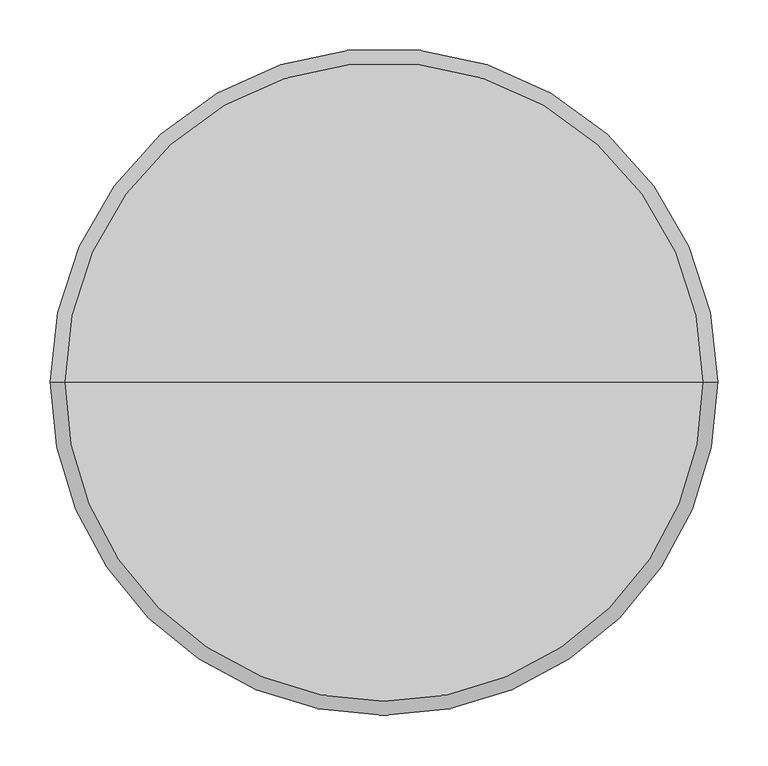
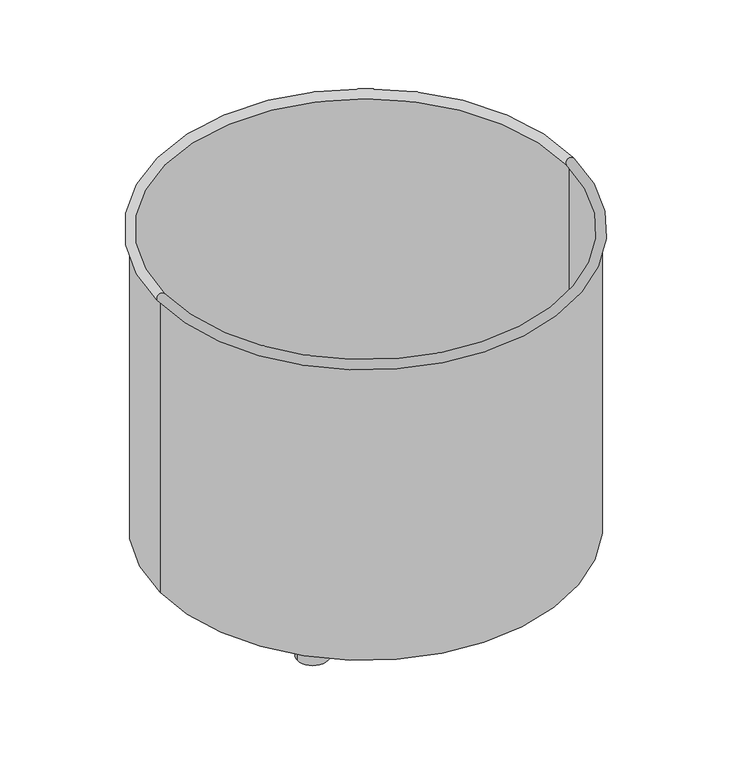
"""IFC4 building model written with IfcOpenShell, lengths in millimetres: furniture geometry."""

from ifc_helpers import new_model, si_unit, point, frame, frame_2d, origin, origin_with_axes, place, context, project, spatial, polyline, circle_curve, ellipse_curve, trimmed, segment, composite_curve, outline, extrude, source, transform, mapped, element, save
from ifc_brep_helpers import plane_surface, cylinder_surface, revolved_surface, advanced_brep


def furniture_d0817170(model_context):
    return source(origin(), model_context, "Body", "SolidModel", [
        extrude(outline(composite_curve([segment(trimmed(circle_curve(frame_2d((-197.7139973, 197.7101913)), 24.0), [point((-221.7139973, 197.7101913))], [point((-173.7139973, 197.7101913))], False, "CARTESIAN"), True, "CONTINUOUS"), segment(trimmed(circle_curve(frame_2d((-197.7139973, 197.7101913)), 24.0), [point((-173.7139973, 197.7101913))], [point((-221.7139973, 197.7101913))], False, "CARTESIAN"), True, "CONTINUOUS")], self_intersect=False)), origin_with_axes(), (0.0, 0.0, 1.0), 30.0000195),
        extrude(outline(composite_curve([segment(trimmed(circle_curve(frame_2d((-197.7139973, -197.7101913)), 24.0), [point((-221.7139973, -197.7101913))], [point((-173.7139973, -197.7101913))], False, "CARTESIAN"), True, "CONTINUOUS"), segment(trimmed(circle_curve(frame_2d((-197.7139973, -197.7101913)), 24.0), [point((-173.7139973, -197.7101913))], [point((-221.7139973, -197.7101913))], False, "CARTESIAN"), True, "CONTINUOUS")], self_intersect=False)), origin_with_axes(), (0.0, 0.0, 1.0), 30.0000195),
        extrude(outline(composite_curve([segment(trimmed(circle_curve(frame_2d((197.7139973, 197.7101913)), 24.0), [point((221.7139973, 197.7101913))], [point((173.7139973, 197.7101913))], False, "CARTESIAN"), True, "CONTINUOUS"), segment(trimmed(circle_curve(frame_2d((197.7139973, 197.7101913)), 24.0), [point((173.7139973, 197.7101913))], [point((221.7139973, 197.7101913))], False, "CARTESIAN"), True, "CONTINUOUS")], self_intersect=False)), origin_with_axes(), (0.0, 0.0, 1.0), 30.0000195),
        extrude(outline(composite_curve([segment(trimmed(circle_curve(frame_2d((197.7139973, -197.7101913)), 24.0), [point((221.7139973, -197.7101913))], [point((173.7139973, -197.7101913))], False, "CARTESIAN"), True, "CONTINUOUS"), segment(trimmed(circle_curve(frame_2d((197.7139973, -197.7101913)), 24.0), [point((173.7139973, -197.7101913))], [point((221.7139973, -197.7101913))], False, "CARTESIAN"), True, "CONTINUOUS")], self_intersect=False)), origin_with_axes(), (0.0, 0.0, 1.0), 30.0000195),
        advanced_brep(
        [(-322.0105152, 0.0, 80.0000195), (322.0105152, 0.0, 80.0000195), (322.0105152, 0.0, 516.1807098), (-322.0105152, 0.0, 516.1807098), (0.0, 0.0, 80.0000195), (-325.00085, 0.0, 30.0000195), (325.00085, 0.0, 30.0000195), (0.0, 0.0, 30.0000195), (-325.00085, 0.0, 516.1800434), (325.00085, 0.0, 516.1800434)],
        [
            (0, 1, circle_curve(frame((0.0, 0.0, 80.0000195), z_axis=(0.0, 0.0, -1.0), x_axis=(1.0, 0.0, 0.0)), 322.0105152)),
            (1, 2),
            (2, 3, circle_curve(frame((0.0, 0.0, 516.1807098), z_axis=(0.0, 0.0, 1.0), x_axis=(1.0, 0.0, 0.0)), 322.0105152)),
            (3, 0),
            (1, 0, circle_curve(frame((0.0, 0.0, 80.0000195), z_axis=(0.0, 0.0, -1.0), x_axis=(1.0, 0.0, 0.0)), 322.0105152)),
            (3, 2, circle_curve(frame((0.0, 0.0, 516.1807098), z_axis=(0.0, 0.0, 1.0), x_axis=(1.0, 0.0, 0.0)), 322.0105152)),
            (4, 1),
            (0, 4),
            (5, 6, circle_curve(frame((0.0, 0.0, 30.0000195), z_axis=(0.0, 0.0, -1.0), x_axis=(1.0, 0.0, 0.0)), 325.00085)),
            (6, 7),
            (7, 5),
            (6, 5, circle_curve(frame((0.0, 0.0, 30.0000195), z_axis=(0.0, 0.0, -1.0), x_axis=(1.0, 0.0, 0.0)), 325.00085)),
            (8, 9, circle_curve(frame((0.0, 0.0, 516.1800434), z_axis=(0.0, 0.0, -1.0), x_axis=(1.0, 0.0, 0.0)), 325.00085)),
            (9, 6),
            (5, 8),
            (9, 8, circle_curve(frame((0.0, 0.0, 516.1800434), z_axis=(0.0, 0.0, -1.0), x_axis=(1.0, 0.0, 0.0)), 325.00085)),
            (2, 9, circle_curve(frame((323.5072064, 0.0, 523.018832), z_axis=(0.0, 1.0, 0.0), x_axis=(1.0, 0.0, 0.0)), 7.0)),
            (8, 3, circle_curve(frame((-323.5072064, 0.0, 523.018832), z_axis=(0.0, 1.0, 0.0), x_axis=(-1.0, 0.0, 0.0)), 7.0)),
        ],
        [
            revolved_surface(polyline([(322.0105152, 0.0, 516.1807097999999), (322.0105152, 0.0, 80.00001950000001)]), (0.0, 0.0, 1997.4144888), (0.0, 0.0, 1.0)),
            plane_surface(frame((0.0, 0.0, 80.0000195), z_axis=(0.0, 0.0, 1.0), x_axis=(1.0, 0.0, 0.0))),
            plane_surface(frame((0.0, 0.0, 30.0000195), z_axis=(0.0, 0.0, -1.0), x_axis=(1.0, 0.0, 0.0))),
            cylinder_surface(frame((0.0, 0.0, 1997.4144888), z_axis=(0.0, 0.0, 1.0), x_axis=(1.0, 0.0, 0.0)), 325.00085),
            revolved_surface(trimmed(ellipse_curve(frame((323.5072064, 0.0, 523.018832), z_axis=(0.0, -1.0, 0.0), x_axis=(1.0, 0.0, 0.0)), 7.0, 7.0), [point((325.00085, 0.0, 516.1800434))], [point((322.0105152, 0.0, 516.1807098))], True, "CARTESIAN"), (0.0, 0.0, 1997.4144888), (0.0, 0.0, 1.0)),
        ],
        [
            (0, [[1, 2, 3, 4]]),
            (0, [[5, -4, 6, -2]]),
            (1, [[7, -1, 8]]),
            (1, [[-8, -5, -7]]),
            (2, [[9, 10, 11]]),
            (2, [[12, -11, -10]]),
            (3, [[13, 14, -9, 15]]),
            (3, [[16, -15, -12, -14]]),
            (4, [[-3, 17, -13, 18]]),
            (4, [[-6, -18, -16, -17]]),
        ],
    ),
    ])


if __name__ == "__main__":
    model = new_model("IFC4")
    model_context = context("Model", 3, world=origin())
    ifc_project = project(units=[si_unit("LENGTHUNIT", "METRE", prefix="MILLI")], contexts=[model_context])
    site = spatial("IfcSite", under=ifc_project)
    building = spatial("IfcBuilding", under=site)
    placement = place(None, origin())
    furniture_shape = furniture_d0817170(model_context)
    element("IfcFurniture", 1, at=placement, inside=building, context=model_context, shape_type="MappedRepresentation", body=[
        mapped(furniture_shape, transform((0.0, 0.0, 0.0), x_axis=(1.0, 0.0, 0.0), y_axis=(0.0, 1.0, 0.0), z_axis=(0.0, 0.0, 1.0))),
    ])
    save(model, "model.ifc")
